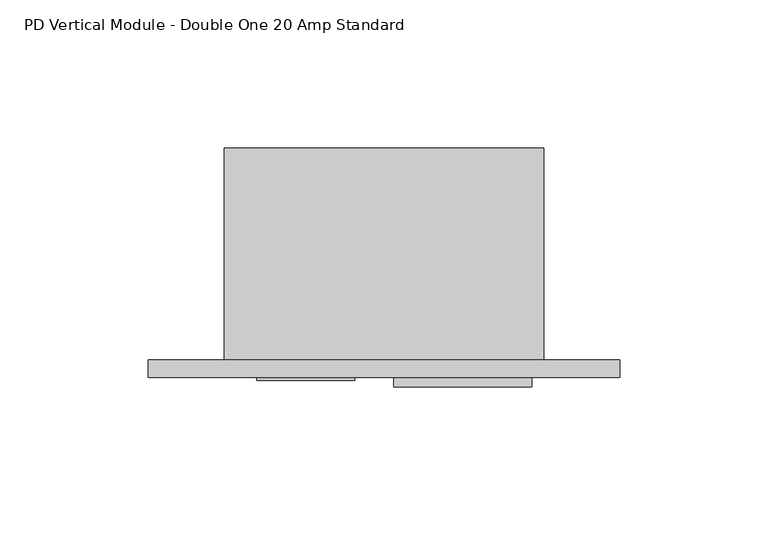
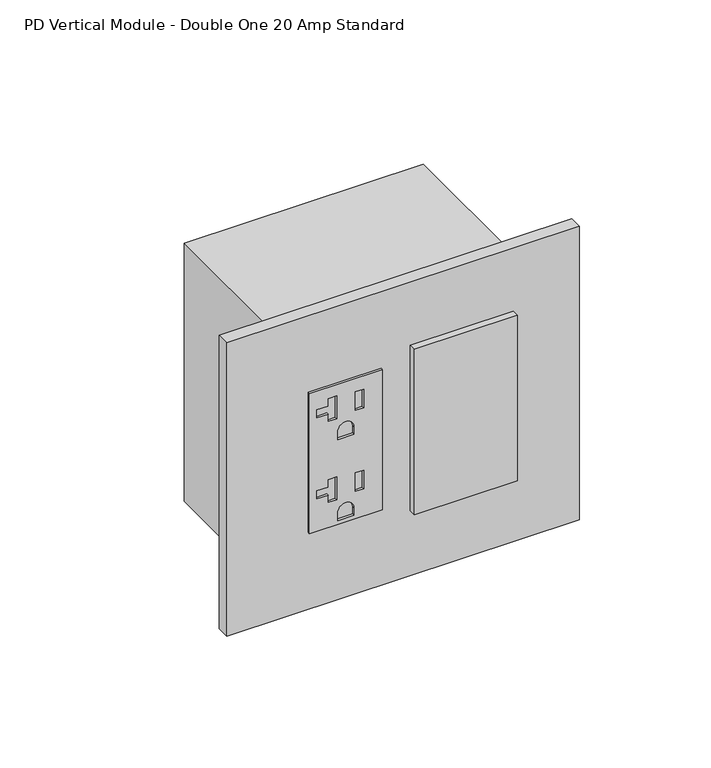
"""IFC4 building model written with IfcOpenShell, lengths in millimetres: proxy geometry, PD Vertical Module - Double One 20 Amp Standard."""

from ifc_helpers import new_model, si_unit, point, frame, frame_2d, origin, place, context, project, spatial, polyline, circle_curve, trimmed, segment, composite_curve, outline, extrude, source, transform, mapped, element, save


def pd_vertical_module_double_one_20_amp_standard_2b35b868(model_context):
    return source(origin(), model_context, "Body", "SweptSolid", [
        extrude(outline(polyline([(414.4772, 44.0944), (414.4772, 11.0998), (347.5228, 11.0998), (347.5228, 44.0944), (414.4772, 44.0944)]), holes=[polyline([(409.0924, 23.4442), (398.272, 23.4442), (398.272, 19.6088), (401.7518, 19.6088), (401.7518, 14.5034), (405.6126, 14.5034), (405.6126, 19.6088), (409.0924, 19.6088), (409.0924, 23.4442)]), polyline([(408.1145, 35.6108), (399.2499, 35.6108), (399.2499, 31.7754), (408.1145, 31.7754), (408.1145, 35.6108)]), composite_curve([segment(polyline([(388.0866, 31.2293), (388.0866, 23.9649), (391.7188, 23.9649)]), True, "CONTINUOUS"), segment(trimmed(circle_curve(frame_2d((391.7188, 27.5971)), 3.6322), [point((391.7188, 23.9649))], [point((391.7188, 31.2293))], True, "CARTESIAN"), True, "CONTINUOUS"), segment(polyline([(391.7188, 31.2293), (388.0866, 31.2293)]), True, "CONTINUOUS")], self_intersect=False), polyline([(370.3574, 23.4442), (359.537, 23.4442), (359.537, 19.6088), (363.0168, 19.6088), (363.0168, 14.5034), (366.8776, 14.5034), (366.8776, 19.6088), (370.3574, 19.6088), (370.3574, 23.4442)]), polyline([(369.3795, 35.6108), (360.5149, 35.6108), (360.5149, 31.7754), (369.3795, 31.7754), (369.3795, 35.6108)]), composite_curve([segment(polyline([(349.3516, 31.2293), (349.3516, 23.9649), (352.9838, 23.9649)]), True, "CONTINUOUS"), segment(trimmed(circle_curve(frame_2d((352.9838, 27.5971)), 3.6322), [point((352.9838, 23.9649))], [point((352.9838, 31.2293))], True, "CARTESIAN"), True, "CONTINUOUS"), segment(polyline([(352.9838, 31.2293), (349.3516, 31.2293)]), True, "CONTINUOUS")], self_intersect=False)]), frame((0.0, -6.9294746, 0.0), z_axis=(0.0, 1.0, 0.0), x_axis=(0.0, 0.0, 1.0)), (0.0, 0.0, 1.0), 1.0366746),
        extrude(outline(polyline([(57.3278, -5.8928), (103.8606, -5.8928), (103.8606, -9.0678), (57.3278, -9.0678), (57.3278, -5.8928)])), frame((0.0, 0.0, 341.7026971), z_axis=(0.0, 0.0, 1.0), x_axis=(1.0, 0.0, 0.0)), (0.0, 0.0, 1.0), 79.0448),
        extrude(outline(polyline([(-25.6794, 0.0), (133.7056, 0.0), (133.7056, -5.8928), (-25.6794, -5.8928), (-25.6794, 0.0)])), frame((0.0, 0.0, 310.7302229), z_axis=(0.0, 0.0, 1.0), x_axis=(1.0, 0.0, 0.0)), (0.0, 0.0, 1.0), 140.3604),
        extrude(outline(polyline([(108.0262, 0.0), (0.0, 0.0), (0.0, 71.7296), (108.0262, 71.7296), (108.0262, 0.0)])), frame((0.0, 0.0, 319.1630229), z_axis=(0.0, 0.0, 1.0), x_axis=(1.0, 0.0, 0.0)), (0.0, 0.0, 1.0), 123.4948),
    ])


if __name__ == "__main__":
    model = new_model("IFC4")
    model_context = context("Model", 3, world=origin())
    ifc_project = project(units=[si_unit("LENGTHUNIT", "METRE", prefix="MILLI")], contexts=[model_context])
    site = spatial("IfcSite", under=ifc_project)
    building = spatial("IfcBuilding", under=site)
    placement = place(None, origin())
    pd_vertical_module_double_one_20_amp_standard_shape = pd_vertical_module_double_one_20_amp_standard_2b35b868(model_context)
    element("IfcBuildingElementProxy", 1, Name="PD Vertical Module - Double One 20 Amp Standard", ObjectType="PD Vertical Module - Double One 20 Amp Standard", at=placement, inside=building, context=model_context, shape_type="MappedRepresentation", body=[
        mapped(pd_vertical_module_double_one_20_amp_standard_shape, transform((0.0, 0.0, 0.0), x_axis=(1.0, 0.0, 0.0), y_axis=(0.0, 1.0, 0.0), z_axis=(0.0, 0.0, 1.0))),
    ])
    save(model, "model.ifc")
